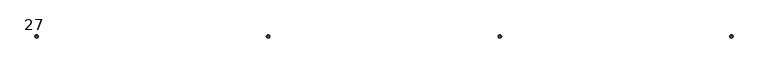
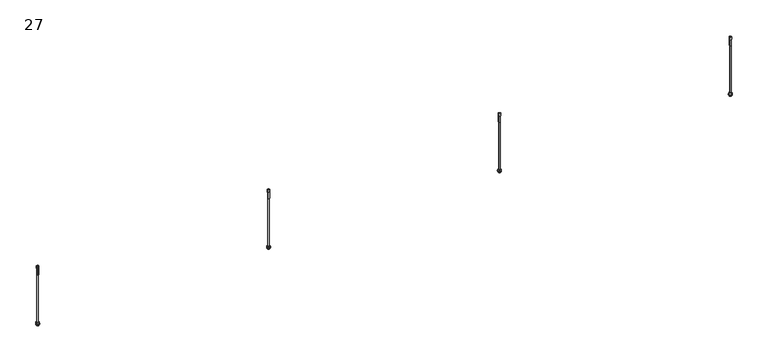
"""IFC4 building model written with IfcOpenShell, lengths in millimetres: proxy geometry, 27."""

from ifc_helpers import new_model, si_unit, point, frame, frame_2d, origin, origin_with_axes, origin_2d, place, context, project, spatial, polyline, circle_curve, trimmed, segment, composite_curve, outline, extrude, source, transform, mapped, element, save
from ifc_brep_helpers import plane_surface, cylinder_surface, revolved_surface, advanced_brep


def proxy_27_d872b374(model_context):
    return source(origin(), model_context, "Body", "SolidModel", [
        extrude(outline(polyline([(3000.0, 6.6082069), (3005.722875, 3.3041034), (3005.722875, -3.3041034), (3000.0, -6.6082069), (2994.277125, -3.3041034), (2994.277125, 3.3041034), (3000.0, 6.6082069)]), holes=[composite_curve([segment(trimmed(circle_curve(frame_2d((3000.0, 0.0)), 3.0), [point((3003.0, 0.0))], [point((2997.0, 0.0))], True, "CARTESIAN"), True, "CONTINUOUS"), segment(trimmed(circle_curve(frame_2d((3000.0, 0.0)), 3.0), [point((2997.0, 0.0))], [point((3003.0, 0.0))], True, "CARTESIAN"), True, "CONTINUOUS")], self_intersect=False)]), frame((0.0, 0.0, 9.2900018), z_axis=(0.0, 0.0, 1.0), x_axis=(1.0, 0.0, 0.0)), (0.0, 0.0, 1.0), 5.0),
        advanced_brep(
        [(3000.0, 0.0, 271.2678879), (2995.2681778, 0.0, 270.0), (3004.7318222, 0.0, 270.0), (3003.671637, 0.0, 231.9964405), (2996.328363, 0.0, 231.9964405), (3000.0, 0.0, 231.9964405), (3003.671637, 0.0, 260.5379079), (2996.328363, 0.0, 260.5379079), (3004.7318222, 0.0, 260.5379079), (2995.2681778, 0.0, 260.5379079)],
        [
            (0, 1),
            (1, 2, circle_curve(frame((3000.0, 0.0, 270.0), z_axis=(0.0, 0.0, 1.0), x_axis=(-1.0, 0.0, 0.0)), 4.7318222)),
            (2, 0),
            (2, 1, circle_curve(frame((3000.0, 0.0, 270.0), z_axis=(0.0, 0.0, 1.0), x_axis=(-1.0, 0.0, 0.0)), 4.7318222)),
            (3, 4, circle_curve(frame((3000.0, 0.0, 231.9964405), z_axis=(0.0, 0.0, -1.0), x_axis=(-1.0, 0.0, 0.0)), 3.671637)),
            (4, 5),
            (5, 3),
            (4, 3, circle_curve(frame((3000.0, 0.0, 231.9964405), z_axis=(0.0, 0.0, -1.0), x_axis=(-1.0, 0.0, 0.0)), 3.671637)),
            (6, 7, circle_curve(frame((3000.0, 0.0, 260.5379079), z_axis=(0.0, 0.0, -1.0), x_axis=(-1.0, 0.0, 0.0)), 3.671637)),
            (7, 4),
            (3, 6),
            (7, 6, circle_curve(frame((3000.0, 0.0, 260.5379079), z_axis=(0.0, 0.0, -1.0), x_axis=(-1.0, 0.0, 0.0)), 3.671637)),
            (8, 9, circle_curve(frame((3000.0, 0.0, 260.5379079), z_axis=(0.0, 0.0, -1.0), x_axis=(-1.0, 0.0, 0.0)), 4.7318222)),
            (9, 7),
            (6, 8),
            (9, 8, circle_curve(frame((3000.0, 0.0, 260.5379079), z_axis=(0.0, 0.0, -1.0), x_axis=(-1.0, 0.0, 0.0)), 4.7318222)),
            (1, 9),
            (8, 2),
        ],
        [
            revolved_surface(polyline([(2995.2681778, 0.0, 270.0), (3000.0, 0.0, 271.2678879)]), (3000.0, 0.0, 239.8947141), (0.0, 0.0, 1.0)),
            plane_surface(frame((3000.0, 0.0, 231.9964405), z_axis=(0.0, 0.0, -1.0), x_axis=(-1.0, 0.0, 0.0))),
            cylinder_surface(frame((3000.0, 0.0, 239.8947141), z_axis=(0.0, 0.0, 1.0), x_axis=(-1.0, 0.0, 0.0)), 3.671637),
            plane_surface(frame((3000.0, 0.0, 260.5379079), z_axis=(0.0, 0.0, -1.0), x_axis=(-1.0, 0.0, 0.0))),
            cylinder_surface(frame((3000.0, 0.0, 239.8947141), z_axis=(0.0, 0.0, 1.0), x_axis=(-1.0, 0.0, 0.0)), 4.7318222),
        ],
        [
            (0, [[1, 2, 3]]),
            (0, [[-3, 4, -1]]),
            (1, [[5, 6, 7]]),
            (1, [[8, -7, -6]]),
            (2, [[9, 10, -5, 11]]),
            (2, [[12, -11, -8, -10]]),
            (3, [[13, 14, -9, 15]]),
            (3, [[16, -15, -12, -14]]),
            (4, [[-2, 17, -13, 18]]),
            (4, [[-4, -18, -16, -17]]),
        ],
    ),
        extrude(outline(composite_curve([segment(trimmed(circle_curve(frame_2d((3000.0, 0.0)), 7.6155736), [point((3007.6155736, 0.0))], [point((2992.3844264, 0.0))], False, "CARTESIAN"), True, "CONTINUOUS"), segment(trimmed(circle_curve(frame_2d((3000.0, 0.0)), 7.6155736), [point((2992.3844264, 0.0))], [point((3007.6155736, 0.0))], False, "CARTESIAN"), True, "CONTINUOUS")], self_intersect=False), holes=[composite_curve([segment(trimmed(circle_curve(frame_2d((3000.0, 0.0)), 3.0), [point((3003.0, 0.0))], [point((2997.0, 0.0))], True, "CARTESIAN"), True, "CONTINUOUS"), segment(trimmed(circle_curve(frame_2d((3000.0, 0.0)), 3.0), [point((2997.0, 0.0))], [point((3003.0, 0.0))], True, "CARTESIAN"), True, "CONTINUOUS")], self_intersect=False)]), frame((0.0, 0.0, 6.4900018), z_axis=(0.0, 0.0, 1.0), x_axis=(1.0, 0.0, 0.0)), (0.0, 0.0, 1.0), 1.0),
        extrude(outline(polyline([(3000.0, 6.6082069), (3005.722875, 3.3041034), (3005.722875, -3.3041034), (3000.0, -6.6082069), (2994.277125, -3.3041034), (2994.277125, 3.3041034), (3000.0, 6.6082069)]), holes=[composite_curve([segment(trimmed(circle_curve(frame_2d((3000.0, 0.0)), 3.0), [point((3003.0, 0.0))], [point((2997.0, 0.0))], True, "CARTESIAN"), True, "CONTINUOUS"), segment(trimmed(circle_curve(frame_2d((3000.0, 0.0)), 3.0), [point((2997.0, 0.0))], [point((3003.0, 0.0))], True, "CARTESIAN"), True, "CONTINUOUS")], self_intersect=False)]), frame((0.0, 0.0, 1.4900018), z_axis=(0.0, 0.0, 1.0), x_axis=(1.0, 0.0, 0.0)), (0.0, 0.0, 1.0), 5.0),
        extrude(outline(composite_curve([segment(trimmed(circle_curve(frame_2d((3000.0, 0.0)), 3.0), [point((3003.0, 0.0))], [point((2997.0, 0.0))], False, "CARTESIAN"), True, "CONTINUOUS"), segment(trimmed(circle_curve(frame_2d((3000.0, 0.0)), 3.0), [point((2997.0, 0.0))], [point((3003.0, 0.0))], False, "CARTESIAN"), True, "CONTINUOUS")], self_intersect=False)), origin_with_axes(), (0.0, 0.0, 1.0), 270.0),
        extrude(outline(polyline([(2000.0, 6.6082069), (2005.722875, 3.3041034), (2005.722875, -3.3041034), (2000.0, -6.6082069), (1994.277125, -3.3041034), (1994.277125, 3.3041034), (2000.0, 6.6082069)]), holes=[composite_curve([segment(trimmed(circle_curve(frame_2d((2000.0, 0.0)), 3.0), [point((2003.0, 0.0))], [point((1997.0, 0.0))], True, "CARTESIAN"), True, "CONTINUOUS"), segment(trimmed(circle_curve(frame_2d((2000.0, 0.0)), 3.0), [point((1997.0, 0.0))], [point((2003.0, 0.0))], True, "CARTESIAN"), True, "CONTINUOUS")], self_intersect=False)]), frame((0.0, 0.0, 9.2900018), z_axis=(0.0, 0.0, 1.0), x_axis=(1.0, 0.0, 0.0)), (0.0, 0.0, 1.0), 5.0),
        advanced_brep(
        [(2000.0, 0.0, 271.2678879), (1995.2681778, 0.0, 270.0), (2004.7318222, 0.0, 270.0), (2003.671637, 0.0, 231.9964405), (1996.328363, 0.0, 231.9964405), (2000.0, 0.0, 231.9964405), (2003.671637, 0.0, 260.5379079), (1996.328363, 0.0, 260.5379079), (2004.7318222, 0.0, 260.5379079), (1995.2681778, 0.0, 260.5379079)],
        [
            (0, 1),
            (1, 2, circle_curve(frame((2000.0, 0.0, 270.0), z_axis=(0.0, 0.0, 1.0), x_axis=(-1.0, 0.0, 0.0)), 4.7318222)),
            (2, 0),
            (2, 1, circle_curve(frame((2000.0, 0.0, 270.0), z_axis=(0.0, 0.0, 1.0), x_axis=(-1.0, 0.0, 0.0)), 4.7318222)),
            (3, 4, circle_curve(frame((2000.0, 0.0, 231.9964405), z_axis=(0.0, 0.0, -1.0), x_axis=(-1.0, 0.0, 0.0)), 3.671637)),
            (4, 5),
            (5, 3),
            (4, 3, circle_curve(frame((2000.0, 0.0, 231.9964405), z_axis=(0.0, 0.0, -1.0), x_axis=(-1.0, 0.0, 0.0)), 3.671637)),
            (6, 7, circle_curve(frame((2000.0, 0.0, 260.5379079), z_axis=(0.0, 0.0, -1.0), x_axis=(-1.0, 0.0, 0.0)), 3.671637)),
            (7, 4),
            (3, 6),
            (7, 6, circle_curve(frame((2000.0, 0.0, 260.5379079), z_axis=(0.0, 0.0, -1.0), x_axis=(-1.0, 0.0, 0.0)), 3.671637)),
            (8, 9, circle_curve(frame((2000.0, 0.0, 260.5379079), z_axis=(0.0, 0.0, -1.0), x_axis=(-1.0, 0.0, 0.0)), 4.7318222)),
            (9, 7),
            (6, 8),
            (9, 8, circle_curve(frame((2000.0, 0.0, 260.5379079), z_axis=(0.0, 0.0, -1.0), x_axis=(-1.0, 0.0, 0.0)), 4.7318222)),
            (1, 9),
            (8, 2),
        ],
        [
            revolved_surface(polyline([(1995.2681778, 0.0, 270.0), (2000.0, 0.0, 271.2678879)]), (2000.0, 0.0, 239.8947141), (0.0, 0.0, 1.0)),
            plane_surface(frame((2000.0, 0.0, 231.9964405), z_axis=(0.0, 0.0, -1.0), x_axis=(-1.0, 0.0, 0.0))),
            cylinder_surface(frame((2000.0, 0.0, 239.8947141), z_axis=(0.0, 0.0, 1.0), x_axis=(-1.0, 0.0, 0.0)), 3.671637),
            plane_surface(frame((2000.0, 0.0, 260.5379079), z_axis=(0.0, 0.0, -1.0), x_axis=(-1.0, 0.0, 0.0))),
            cylinder_surface(frame((2000.0, 0.0, 239.8947141), z_axis=(0.0, 0.0, 1.0), x_axis=(-1.0, 0.0, 0.0)), 4.7318222),
        ],
        [
            (0, [[1, 2, 3]]),
            (0, [[-3, 4, -1]]),
            (1, [[5, 6, 7]]),
            (1, [[8, -7, -6]]),
            (2, [[9, 10, -5, 11]]),
            (2, [[12, -11, -8, -10]]),
            (3, [[13, 14, -9, 15]]),
            (3, [[16, -15, -12, -14]]),
            (4, [[-2, 17, -13, 18]]),
            (4, [[-4, -18, -16, -17]]),
        ],
    ),
        extrude(outline(composite_curve([segment(trimmed(circle_curve(frame_2d((2000.0, 0.0)), 7.6155736), [point((2007.6155736, 0.0))], [point((1992.3844264, 0.0))], False, "CARTESIAN"), True, "CONTINUOUS"), segment(trimmed(circle_curve(frame_2d((2000.0, 0.0)), 7.6155736), [point((1992.3844264, 0.0))], [point((2007.6155736, 0.0))], False, "CARTESIAN"), True, "CONTINUOUS")], self_intersect=False), holes=[composite_curve([segment(trimmed(circle_curve(frame_2d((2000.0, 0.0)), 3.0), [point((2003.0, 0.0))], [point((1997.0, 0.0))], True, "CARTESIAN"), True, "CONTINUOUS"), segment(trimmed(circle_curve(frame_2d((2000.0, 0.0)), 3.0), [point((1997.0, 0.0))], [point((2003.0, 0.0))], True, "CARTESIAN"), True, "CONTINUOUS")], self_intersect=False)]), frame((0.0, 0.0, 6.4900018), z_axis=(0.0, 0.0, 1.0), x_axis=(1.0, 0.0, 0.0)), (0.0, 0.0, 1.0), 1.0),
        extrude(outline(polyline([(2000.0, 6.6082069), (2005.722875, 3.3041034), (2005.722875, -3.3041034), (2000.0, -6.6082069), (1994.277125, -3.3041034), (1994.277125, 3.3041034), (2000.0, 6.6082069)]), holes=[composite_curve([segment(trimmed(circle_curve(frame_2d((2000.0, 0.0)), 3.0), [point((2003.0, 0.0))], [point((1997.0, 0.0))], True, "CARTESIAN"), True, "CONTINUOUS"), segment(trimmed(circle_curve(frame_2d((2000.0, 0.0)), 3.0), [point((1997.0, 0.0))], [point((2003.0, 0.0))], True, "CARTESIAN"), True, "CONTINUOUS")], self_intersect=False)]), frame((0.0, 0.0, 1.4900018), z_axis=(0.0, 0.0, 1.0), x_axis=(1.0, 0.0, 0.0)), (0.0, 0.0, 1.0), 5.0),
        extrude(outline(composite_curve([segment(trimmed(circle_curve(frame_2d((2000.0, 0.0)), 3.0), [point((2003.0, 0.0))], [point((1997.0, 0.0))], False, "CARTESIAN"), True, "CONTINUOUS"), segment(trimmed(circle_curve(frame_2d((2000.0, 0.0)), 3.0), [point((1997.0, 0.0))], [point((2003.0, 0.0))], False, "CARTESIAN"), True, "CONTINUOUS")], self_intersect=False)), origin_with_axes(), (0.0, 0.0, 1.0), 270.0),
        extrude(outline(polyline([(1000.0, 6.6082069), (1005.722875, 3.3041034), (1005.722875, -3.3041034), (1000.0, -6.6082069), (994.277125, -3.3041034), (994.277125, 3.3041034), (1000.0, 6.6082069)]), holes=[composite_curve([segment(trimmed(circle_curve(frame_2d((1000.0, 0.0)), 3.0), [point((1003.0, 0.0))], [point((997.0, 0.0))], True, "CARTESIAN"), True, "CONTINUOUS"), segment(trimmed(circle_curve(frame_2d((1000.0, 0.0)), 3.0), [point((997.0, 0.0))], [point((1003.0, 0.0))], True, "CARTESIAN"), True, "CONTINUOUS")], self_intersect=False)]), frame((0.0, 0.0, 9.2900018), z_axis=(0.0, 0.0, 1.0), x_axis=(1.0, 0.0, 0.0)), (0.0, 0.0, 1.0), 5.0),
        advanced_brep(
        [(1000.0, 0.0, 271.2678879), (995.2681778, 0.0, 270.0), (1004.7318222, 0.0, 270.0), (1003.671637, 0.0, 231.9964405), (996.328363, 0.0, 231.9964405), (1000.0, 0.0, 231.9964405), (1003.671637, 0.0, 260.5379079), (996.328363, 0.0, 260.5379079), (1004.7318222, 0.0, 260.5379079), (995.2681778, 0.0, 260.5379079)],
        [
            (0, 1),
            (1, 2, circle_curve(frame((1000.0, 0.0, 270.0), z_axis=(0.0, 0.0, 1.0), x_axis=(-1.0, 0.0, 0.0)), 4.7318222)),
            (2, 0),
            (2, 1, circle_curve(frame((1000.0, 0.0, 270.0), z_axis=(0.0, 0.0, 1.0), x_axis=(-1.0, 0.0, 0.0)), 4.7318222)),
            (3, 4, circle_curve(frame((1000.0, 0.0, 231.9964405), z_axis=(0.0, 0.0, -1.0), x_axis=(-1.0, 0.0, 0.0)), 3.671637)),
            (4, 5),
            (5, 3),
            (4, 3, circle_curve(frame((1000.0, 0.0, 231.9964405), z_axis=(0.0, 0.0, -1.0), x_axis=(-1.0, 0.0, 0.0)), 3.671637)),
            (6, 7, circle_curve(frame((1000.0, 0.0, 260.5379079), z_axis=(0.0, 0.0, -1.0), x_axis=(-1.0, 0.0, 0.0)), 3.671637)),
            (7, 4),
            (3, 6),
            (7, 6, circle_curve(frame((1000.0, 0.0, 260.5379079), z_axis=(0.0, 0.0, -1.0), x_axis=(-1.0, 0.0, 0.0)), 3.671637)),
            (8, 9, circle_curve(frame((1000.0, 0.0, 260.5379079), z_axis=(0.0, 0.0, -1.0), x_axis=(-1.0, 0.0, 0.0)), 4.7318222)),
            (9, 7),
            (6, 8),
            (9, 8, circle_curve(frame((1000.0, 0.0, 260.5379079), z_axis=(0.0, 0.0, -1.0), x_axis=(-1.0, 0.0, 0.0)), 4.7318222)),
            (1, 9),
            (8, 2),
        ],
        [
            revolved_surface(polyline([(995.2681778, 0.0, 270.0), (1000.0, 0.0, 271.2678879)]), (1000.0, 0.0, 239.8947141), (0.0, 0.0, 1.0)),
            plane_surface(frame((1000.0, 0.0, 231.9964405), z_axis=(0.0, 0.0, -1.0), x_axis=(-1.0, 0.0, 0.0))),
            cylinder_surface(frame((1000.0, 0.0, 239.8947141), z_axis=(0.0, 0.0, 1.0), x_axis=(-1.0, 0.0, 0.0)), 3.671637),
            plane_surface(frame((1000.0, 0.0, 260.5379079), z_axis=(0.0, 0.0, -1.0), x_axis=(-1.0, 0.0, 0.0))),
            cylinder_surface(frame((1000.0, 0.0, 239.8947141), z_axis=(0.0, 0.0, 1.0), x_axis=(-1.0, 0.0, 0.0)), 4.7318222),
        ],
        [
            (0, [[1, 2, 3]]),
            (0, [[-3, 4, -1]]),
            (1, [[5, 6, 7]]),
            (1, [[8, -7, -6]]),
            (2, [[9, 10, -5, 11]]),
            (2, [[12, -11, -8, -10]]),
            (3, [[13, 14, -9, 15]]),
            (3, [[16, -15, -12, -14]]),
            (4, [[-2, 17, -13, 18]]),
            (4, [[-4, -18, -16, -17]]),
        ],
    ),
        extrude(outline(composite_curve([segment(trimmed(circle_curve(frame_2d((1000.0, 0.0)), 7.6155736), [point((1007.6155736, 0.0))], [point((992.3844264, 0.0))], False, "CARTESIAN"), True, "CONTINUOUS"), segment(trimmed(circle_curve(frame_2d((1000.0, 0.0)), 7.6155736), [point((992.3844264, 0.0))], [point((1007.6155736, 0.0))], False, "CARTESIAN"), True, "CONTINUOUS")], self_intersect=False), holes=[composite_curve([segment(trimmed(circle_curve(frame_2d((1000.0, 0.0)), 3.0), [point((1003.0, 0.0))], [point((997.0, 0.0))], True, "CARTESIAN"), True, "CONTINUOUS"), segment(trimmed(circle_curve(frame_2d((1000.0, 0.0)), 3.0), [point((997.0, 0.0))], [point((1003.0, 0.0))], True, "CARTESIAN"), True, "CONTINUOUS")], self_intersect=False)]), frame((0.0, 0.0, 6.4900018), z_axis=(0.0, 0.0, 1.0), x_axis=(1.0, 0.0, 0.0)), (0.0, 0.0, 1.0), 1.0),
        extrude(outline(polyline([(1000.0, 6.6082069), (1005.722875, 3.3041034), (1005.722875, -3.3041034), (1000.0, -6.6082069), (994.277125, -3.3041034), (994.277125, 3.3041034), (1000.0, 6.6082069)]), holes=[composite_curve([segment(trimmed(circle_curve(frame_2d((1000.0, 0.0)), 3.0), [point((1003.0, 0.0))], [point((997.0, 0.0))], True, "CARTESIAN"), True, "CONTINUOUS"), segment(trimmed(circle_curve(frame_2d((1000.0, 0.0)), 3.0), [point((997.0, 0.0))], [point((1003.0, 0.0))], True, "CARTESIAN"), True, "CONTINUOUS")], self_intersect=False)]), frame((0.0, 0.0, 1.4900018), z_axis=(0.0, 0.0, 1.0), x_axis=(1.0, 0.0, 0.0)), (0.0, 0.0, 1.0), 5.0),
        extrude(outline(composite_curve([segment(trimmed(circle_curve(frame_2d((1000.0, 0.0)), 3.0), [point((1003.0, 0.0))], [point((997.0, 0.0))], False, "CARTESIAN"), True, "CONTINUOUS"), segment(trimmed(circle_curve(frame_2d((1000.0, 0.0)), 3.0), [point((997.0, 0.0))], [point((1003.0, 0.0))], False, "CARTESIAN"), True, "CONTINUOUS")], self_intersect=False)), origin_with_axes(), (0.0, 0.0, 1.0), 270.0),
        extrude(outline(polyline([(0.0, 6.6082069), (5.722875, 3.3041034), (5.722875, -3.3041034), (0.0, -6.6082069), (-5.722875, -3.3041034), (-5.722875, 3.3041034), (0.0, 6.6082069)]), holes=[composite_curve([segment(trimmed(circle_curve(origin_2d(), 3.0), [point((3.0, 0.0))], [point((-3.0, 0.0))], True, "CARTESIAN"), True, "CONTINUOUS"), segment(trimmed(circle_curve(origin_2d(), 3.0), [point((-3.0, 0.0))], [point((3.0, 0.0))], True, "CARTESIAN"), True, "CONTINUOUS")], self_intersect=False)]), frame((0.0, 0.0, 9.2900018), z_axis=(0.0, 0.0, 1.0), x_axis=(1.0, 0.0, 0.0)), (0.0, 0.0, 1.0), 5.0),
        advanced_brep(
        [(0.0, 0.0, 271.2678879), (-4.7318222, 0.0, 270.0), (4.7318222, 0.0, 270.0), (3.671637, 0.0, 231.9964405), (-3.671637, 0.0, 231.9964405), (0.0, 0.0, 231.9964405), (3.671637, 0.0, 260.5379079), (-3.671637, 0.0, 260.5379079), (4.7318222, 0.0, 260.5379079), (-4.7318222, 0.0, 260.5379079)],
        [
            (0, 1),
            (1, 2, circle_curve(frame((0.0, 0.0, 270.0), z_axis=(0.0, 0.0, 1.0), x_axis=(-1.0, 0.0, 0.0)), 4.7318222)),
            (2, 0),
            (2, 1, circle_curve(frame((0.0, 0.0, 270.0), z_axis=(0.0, 0.0, 1.0), x_axis=(-1.0, 0.0, 0.0)), 4.7318222)),
            (3, 4, circle_curve(frame((0.0, 0.0, 231.9964405), z_axis=(0.0, 0.0, -1.0), x_axis=(-1.0, 0.0, 0.0)), 3.671637)),
            (4, 5),
            (5, 3),
            (4, 3, circle_curve(frame((0.0, 0.0, 231.9964405), z_axis=(0.0, 0.0, -1.0), x_axis=(-1.0, 0.0, 0.0)), 3.671637)),
            (6, 7, circle_curve(frame((0.0, 0.0, 260.5379079), z_axis=(0.0, 0.0, -1.0), x_axis=(-1.0, 0.0, 0.0)), 3.671637)),
            (7, 4),
            (3, 6),
            (7, 6, circle_curve(frame((0.0, 0.0, 260.5379079), z_axis=(0.0, 0.0, -1.0), x_axis=(-1.0, 0.0, 0.0)), 3.671637)),
            (8, 9, circle_curve(frame((0.0, 0.0, 260.5379079), z_axis=(0.0, 0.0, -1.0), x_axis=(-1.0, 0.0, 0.0)), 4.7318222)),
            (9, 7),
            (6, 8),
            (9, 8, circle_curve(frame((0.0, 0.0, 260.5379079), z_axis=(0.0, 0.0, -1.0), x_axis=(-1.0, 0.0, 0.0)), 4.7318222)),
            (1, 9),
            (8, 2),
        ],
        [
            revolved_surface(polyline([(-4.7318222, 0.0, 270.0), (0.0, 0.0, 271.2678879)]), (0.0, 0.0, 239.8947141), (0.0, 0.0, 1.0)),
            plane_surface(frame((0.0, 0.0, 231.9964405), z_axis=(0.0, 0.0, -1.0), x_axis=(-1.0, 0.0, 0.0))),
            cylinder_surface(frame((0.0, 0.0, 239.8947141), z_axis=(0.0, 0.0, 1.0), x_axis=(-1.0, 0.0, 0.0)), 3.671637),
            plane_surface(frame((0.0, 0.0, 260.5379079), z_axis=(0.0, 0.0, -1.0), x_axis=(-1.0, 0.0, 0.0))),
            cylinder_surface(frame((0.0, 0.0, 239.8947141), z_axis=(0.0, 0.0, 1.0), x_axis=(-1.0, 0.0, 0.0)), 4.7318222),
        ],
        [
            (0, [[1, 2, 3]]),
            (0, [[-3, 4, -1]]),
            (1, [[5, 6, 7]]),
            (1, [[8, -7, -6]]),
            (2, [[9, 10, -5, 11]]),
            (2, [[12, -11, -8, -10]]),
            (3, [[13, 14, -9, 15]]),
            (3, [[16, -15, -12, -14]]),
            (4, [[-2, 17, -13, 18]]),
            (4, [[-4, -18, -16, -17]]),
        ],
    ),
        extrude(outline(composite_curve([segment(trimmed(circle_curve(origin_2d(), 7.6155736), [point((7.6155736, 0.0))], [point((-7.6155736, 0.0))], False, "CARTESIAN"), True, "CONTINUOUS"), segment(trimmed(circle_curve(origin_2d(), 7.6155736), [point((-7.6155736, 0.0))], [point((7.6155736, 0.0))], False, "CARTESIAN"), True, "CONTINUOUS")], self_intersect=False), holes=[composite_curve([segment(trimmed(circle_curve(origin_2d(), 3.0), [point((3.0, 0.0))], [point((-3.0, 0.0))], True, "CARTESIAN"), True, "CONTINUOUS"), segment(trimmed(circle_curve(origin_2d(), 3.0), [point((-3.0, 0.0))], [point((3.0, 0.0))], True, "CARTESIAN"), True, "CONTINUOUS")], self_intersect=False)]), frame((0.0, 0.0, 6.4900018), z_axis=(0.0, 0.0, 1.0), x_axis=(1.0, 0.0, 0.0)), (0.0, 0.0, 1.0), 1.0),
        extrude(outline(polyline([(0.0, 6.6082069), (5.722875, 3.3041034), (5.722875, -3.3041034), (0.0, -6.6082069), (-5.722875, -3.3041034), (-5.722875, 3.3041034), (0.0, 6.6082069)]), holes=[composite_curve([segment(trimmed(circle_curve(origin_2d(), 3.0), [point((3.0, 0.0))], [point((-3.0, 0.0))], True, "CARTESIAN"), True, "CONTINUOUS"), segment(trimmed(circle_curve(origin_2d(), 3.0), [point((-3.0, 0.0))], [point((3.0, 0.0))], True, "CARTESIAN"), True, "CONTINUOUS")], self_intersect=False)]), frame((0.0, 0.0, 1.4900018), z_axis=(0.0, 0.0, 1.0), x_axis=(1.0, 0.0, 0.0)), (0.0, 0.0, 1.0), 5.0),
        extrude(outline(composite_curve([segment(trimmed(circle_curve(origin_2d(), 3.0), [point((3.0, 0.0))], [point((-3.0, 0.0))], False, "CARTESIAN"), True, "CONTINUOUS"), segment(trimmed(circle_curve(origin_2d(), 3.0), [point((-3.0, 0.0))], [point((3.0, 0.0))], False, "CARTESIAN"), True, "CONTINUOUS")], self_intersect=False)), origin_with_axes(), (0.0, 0.0, 1.0), 270.0),
    ])


if __name__ == "__main__":
    model = new_model("IFC4")
    model_context = context("Model", 3, world=origin())
    ifc_project = project(units=[si_unit("LENGTHUNIT", "METRE", prefix="MILLI")], contexts=[model_context])
    site = spatial("IfcSite", under=ifc_project)
    building = spatial("IfcBuilding", under=site)
    placement = place(None, origin())
    proxy_27_shape = proxy_27_d872b374(model_context)
    element("IfcBuildingElementProxy", 1, Name="27", ObjectType="27", at=placement, inside=building, context=model_context, shape_type="MappedRepresentation", body=[
        mapped(proxy_27_shape, transform((0.0, 0.0, 0.0), x_axis=(1.0, 0.0, 0.0), y_axis=(0.0, 1.0, 0.0), z_axis=(0.0, 0.0, 1.0))),
    ])
    save(model, "model.ifc")
